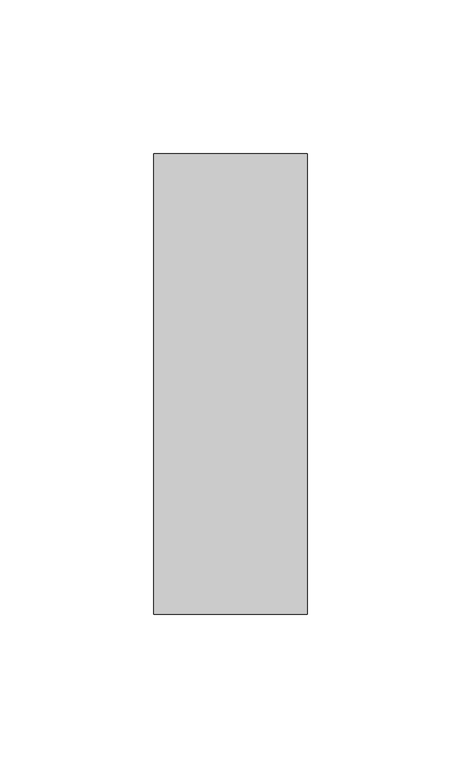
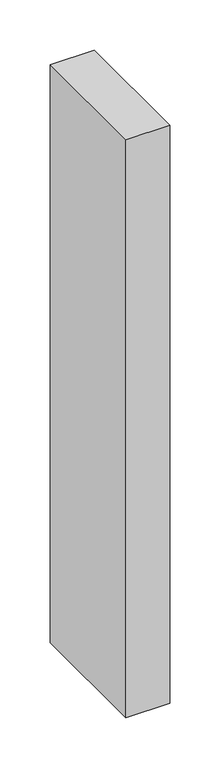
"""IFC4 building model written with IfcOpenShell, lengths in millimetres: member geometry."""

from ifc_helpers import new_model, si_unit, frame, origin, place, context, project, spatial, polyline, outline, extrude, source, transform, mapped, element, save


def member_205d2b36(model_context):
    return source(origin(), model_context, "Body", "SweptSolid", [
        extrude(outline(polyline([(0.0, 75.0), (0.0, -75.0), (-50.0, -75.0), (-50.0, 75.0), (0.0, 75.0)])), frame((0.0, 0.0, -700.0), z_axis=(0.0, 0.0, 1.0), x_axis=(1.0, 0.0, 0.0)), (0.0, 0.0, 1.0), 700.0),
    ])


if __name__ == "__main__":
    model = new_model("IFC4")
    model_context = context("Model", 3, world=origin())
    ifc_project = project(units=[si_unit("LENGTHUNIT", "METRE", prefix="MILLI")], contexts=[model_context])
    site = spatial("IfcSite", under=ifc_project)
    building = spatial("IfcBuilding", under=site)
    placement = place(None, origin())
    member_shape = member_205d2b36(model_context)
    element("IfcMember", 1, at=placement, inside=building, context=model_context, shape_type="MappedRepresentation", body=[
        mapped(member_shape, transform((0.0, 0.0, 0.0), x_axis=(1.0, 0.0, 0.0), y_axis=(0.0, 1.0, 0.0), z_axis=(0.0, 0.0, 1.0))),
    ])
    save(model, "model.ifc")
